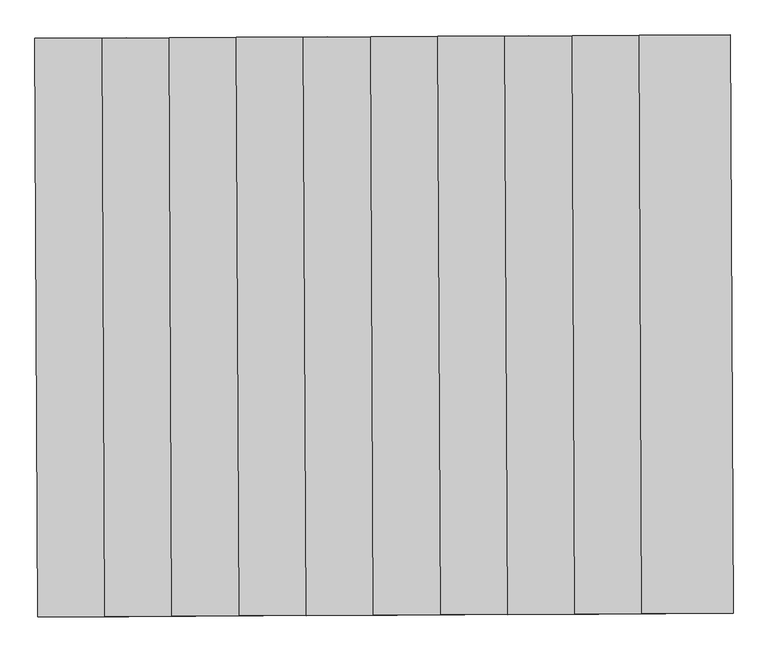
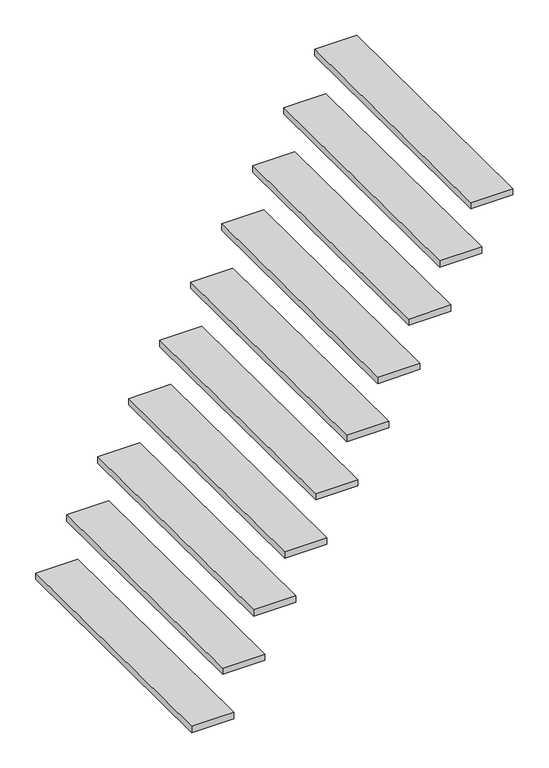
"""IFC4 building model written with IfcOpenShell, lengths in millimetres: stair flight geometry."""

from ifc_helpers import new_model, si_unit, frame, origin, place, context, project, spatial, polyline, outline, extrude, source, transform, mapped, element, save


def stair_flight_d451b3dc(model_context):
    return source(origin(), model_context, "Body", "SweptSolid", [
        extrude(outline(polyline([(97981.833385, 99917.2440932), (97987.6039396, 98710.9626116), (97797.6061135, 98710.0537086), (97791.835559, 99916.3351903), (97981.833385, 99917.2440932)])), frame((0.0, 0.0, -7599.9439309), z_axis=(0.0, 0.0, 1.0), x_axis=(1.0, 0.0, 0.0)), (0.0, 0.0, 1.0), 30.0),
        extrude(outline(polyline([(98121.8317831, 99917.9138112), (98127.6023377, 98711.6323296), (97937.6045117, 98710.7234266), (97931.8339571, 99917.0049082), (98121.8317831, 99917.9138112)])), frame((0.0, 0.0, -7372.3245378), z_axis=(0.0, 0.0, 1.0), x_axis=(1.0, 0.0, 0.0)), (0.0, 0.0, 1.0), 30.0),
        extrude(outline(polyline([(98261.8301812, 99918.5835292), (98267.6007358, 98712.3020476), (98077.6029098, 98711.3931446), (98071.8323552, 99917.6746262), (98261.8301812, 99918.5835292)])), frame((0.0, 0.0, -7144.7051447), z_axis=(0.0, 0.0, 1.0), x_axis=(1.0, 0.0, 0.0)), (0.0, 0.0, 1.0), 30.0),
        extrude(outline(polyline([(98401.8285794, 99919.2532472), (98407.5991339, 98712.9717655), (98217.6013079, 98712.0628626), (98211.8307533, 99918.3443442), (98401.8285794, 99919.2532472)])), frame((0.0, 0.0, -6917.0857516), z_axis=(0.0, 0.0, 1.0), x_axis=(1.0, 0.0, 0.0)), (0.0, 0.0, 1.0), 30.0),
        extrude(outline(polyline([(98541.8269775, 99919.9229651), (98547.5975321, 98713.6414835), (98357.599706, 98712.7325806), (98351.8291515, 99919.0140622), (98541.8269775, 99919.9229651)])), frame((0.0, 0.0, -6689.4663585), z_axis=(0.0, 0.0, 1.0), x_axis=(1.0, 0.0, 0.0)), (0.0, 0.0, 1.0), 30.0),
        extrude(outline(polyline([(98681.8253756, 99920.5926831), (98687.5959302, 98714.3112015), (98497.5981042, 98713.4022985), (98491.8275496, 99919.6837802), (98681.8253756, 99920.5926831)])), frame((0.0, 0.0, -6461.8469654), z_axis=(0.0, 0.0, 1.0), x_axis=(1.0, 0.0, 0.0)), (0.0, 0.0, 1.0), 30.0),
        extrude(outline(polyline([(98821.8237737, 99921.2624011), (98827.5943283, 98714.9809195), (98637.5965023, 98714.0720165), (98631.8259477, 99920.3534981), (98821.8237737, 99921.2624011)])), frame((0.0, 0.0, -6234.2275724), z_axis=(0.0, 0.0, 1.0), x_axis=(1.0, 0.0, 0.0)), (0.0, 0.0, 1.0), 30.0),
        extrude(outline(polyline([(98961.8221719, 99921.9321191), (98967.5927264, 98715.6506375), (98777.5949004, 98714.7417345), (98771.8243458, 99921.0232161), (98961.8221719, 99921.9321191)])), frame((0.0, 0.0, -6006.6081793), z_axis=(0.0, 0.0, 1.0), x_axis=(1.0, 0.0, 0.0)), (0.0, 0.0, 1.0), 30.0),
        extrude(outline(polyline([(99101.82057, 99922.6018371), (99107.5911246, 98716.3203554), (98917.5932985, 98715.4114525), (98911.822744, 99921.6929341), (99101.82057, 99922.6018371)])), frame((0.0, 0.0, -5778.9887862), z_axis=(0.0, 0.0, 1.0), x_axis=(1.0, 0.0, 0.0)), (0.0, 0.0, 1.0), 30.0),
        extrude(outline(polyline([(99241.8189681, 99923.271555), (99247.5895227, 98716.9900734), (99057.5916967, 98716.0811705), (99051.8211421, 99922.3626521), (99241.8189681, 99923.271555)])), frame((0.0, 0.0, -5551.3693931), z_axis=(0.0, 0.0, 1.0), x_axis=(1.0, 0.0, 0.0)), (0.0, 0.0, 1.0), 30.0),
    ])


if __name__ == "__main__":
    model = new_model("IFC4")
    model_context = context("Model", 3, world=origin())
    ifc_project = project(units=[si_unit("LENGTHUNIT", "METRE", prefix="MILLI")], contexts=[model_context])
    site = spatial("IfcSite", under=ifc_project)
    building = spatial("IfcBuilding", under=site)
    placement = place(None, origin())
    stair_flight_shape = stair_flight_d451b3dc(model_context)
    element("IfcStairFlight", 1, at=placement, inside=building, context=model_context, shape_type="MappedRepresentation", body=[
        mapped(stair_flight_shape, transform((0.0, 0.0, 0.0), x_axis=(1.0, 0.0, 0.0), y_axis=(0.0, 1.0, 0.0), z_axis=(0.0, 0.0, 1.0))),
    ])
    save(model, "model.ifc")
